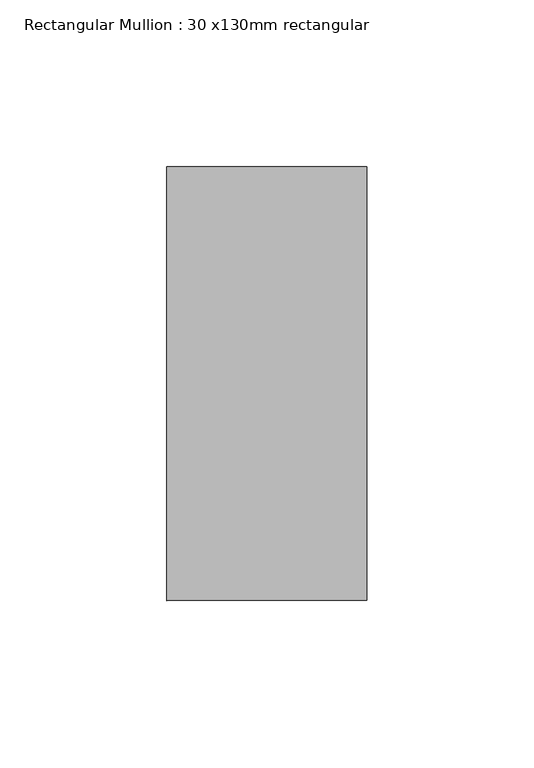
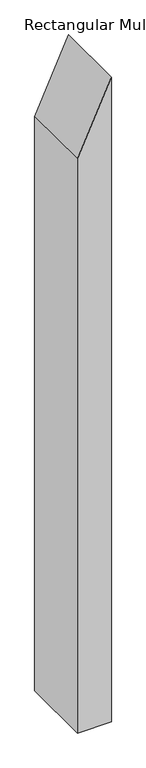
"""IFC4 building model written with IfcOpenShell, lengths in millimetres: member geometry, Rectangular Mullion : 30 x130mm rectangular."""

from ifc_helpers import new_model, si_unit, frame, origin, place, context, project, spatial, polyline, outline, extrude, source, transform, mapped, element, save


def rectangular_mullion_30_x130mm_rectangular_558f8651(model_context):
    return source(origin(), model_context, "Body", "SweptSolid", [
        extrude(outline(polyline([(0.0, 0.0), (-131.3340636, -60.0), (-1200.8499997, -60.0), (-1200.8499997, 0.0), (0.0, 0.0)])), frame((0.0, -65.0, 0.0), z_axis=(0.0, 1.0, 0.0), x_axis=(0.0, 0.0, 1.0)), (0.0, 0.0, 1.0), 130.0),
    ])


if __name__ == "__main__":
    model = new_model("IFC4")
    model_context = context("Model", 3, world=origin())
    ifc_project = project(units=[si_unit("LENGTHUNIT", "METRE", prefix="MILLI")], contexts=[model_context])
    site = spatial("IfcSite", under=ifc_project)
    building = spatial("IfcBuilding", under=site)
    placement = place(None, origin())
    rectangular_mullion_30_x130mm_rectangular_shape = rectangular_mullion_30_x130mm_rectangular_558f8651(model_context)
    element("IfcMember", 1, ObjectType="Rectangular Mullion : 30 x130mm rectangular", at=placement, inside=building, context=model_context, shape_type="MappedRepresentation", body=[
        mapped(rectangular_mullion_30_x130mm_rectangular_shape, transform((0.0, 0.0, 0.0), x_axis=(1.0, 0.0, 0.0), y_axis=(0.0, 1.0, 0.0), z_axis=(0.0, 0.0, 1.0))),
    ])
    save(model, "model.ifc")
